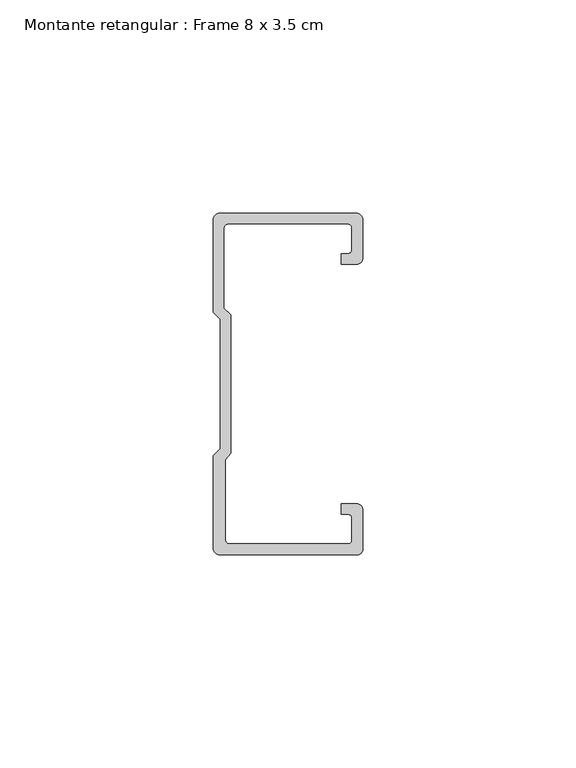
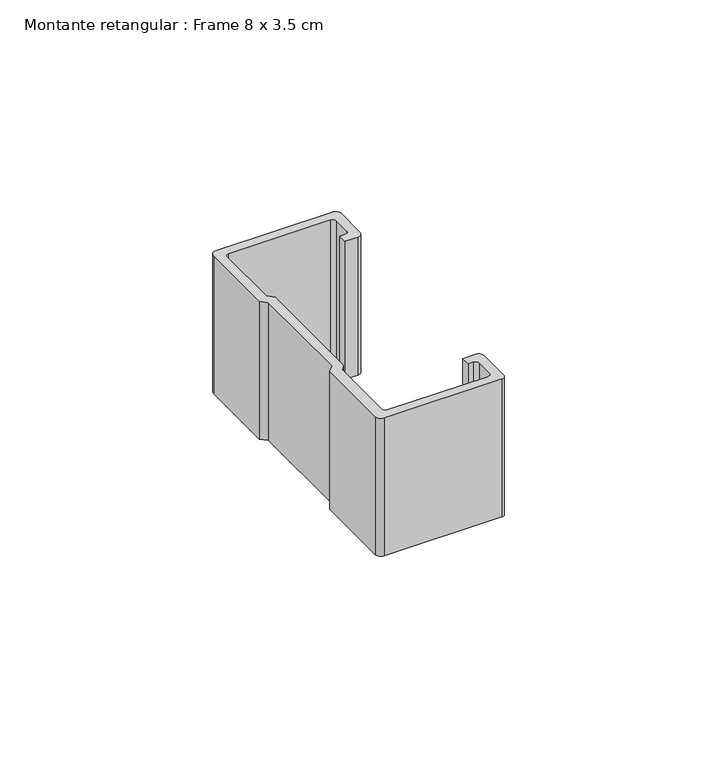
"""IFC4 building model written with IfcOpenShell, lengths in millimetres: member geometry, Montante retangular : Frame 8 x 3.5 cm."""

from ifc_helpers import new_model, si_unit, point, frame, frame_2d, origin, place, context, project, spatial, polyline, circle_curve, trimmed, segment, composite_curve, outline, extrude, source, transform, mapped, element, save


def montante_retangular_frame_8_x_3_5_cm_74e75ccc(model_context):
    return source(origin(), model_context, "Body", "SweptSolid", [
        extrude(outline(composite_curve([segment(trimmed(circle_curve(frame_2d((-1.5, 29.5276505)), 1.5), [point((0.0, 29.5276505))], [point((-1.5, 28.0276505))], False, "CARTESIAN"), True, "CONTINUOUS"), segment(polyline([(-1.5, 28.0276505), (-4.9837744, 28.0276505), (-4.9837744, 30.5276505), (-3.5, 30.5276505)]), True, "CONTINUOUS"), segment(trimmed(circle_curve(frame_2d((-3.5, 31.5276505)), 1.0), [point((-3.5, 30.5276505))], [point((-2.5, 31.5276505))], True, "CARTESIAN"), True, "CONTINUOUS"), segment(polyline([(-2.5, 31.5276505), (-2.5, 36.5)]), True, "CONTINUOUS"), segment(trimmed(circle_curve(frame_2d((-3.5, 36.5)), 1.0), [point((-2.5, 36.5))], [point((-3.5, 37.5))], True, "CARTESIAN"), True, "CONTINUOUS"), segment(polyline([(-3.5, 37.5), (-31.5, 37.5)]), True, "CONTINUOUS"), segment(trimmed(circle_curve(frame_2d((-31.5, 36.5)), 1.0), [point((-31.5, 37.5))], [point((-32.5, 36.5))], True, "CARTESIAN"), True, "CONTINUOUS"), segment(polyline([(-32.5, 36.5), (-32.5, 17.7978001), (-30.9122869, 16.2100869), (-30.9122869, -16.1794816), (-32.192786, -17.7671948), (-32.192786, -36.5)]), True, "CONTINUOUS"), segment(trimmed(circle_curve(frame_2d((-31.192786, -36.5)), 1.0), [point((-32.192786, -36.5))], [point((-31.192786, -37.5))], True, "CARTESIAN"), True, "CONTINUOUS"), segment(polyline([(-31.192786, -37.5), (-3.5, -37.5)]), True, "CONTINUOUS"), segment(trimmed(circle_curve(frame_2d((-3.5, -36.5)), 1.0), [point((-3.5, -37.5))], [point((-2.5, -36.5))], True, "CARTESIAN"), True, "CONTINUOUS"), segment(polyline([(-2.5, -36.5), (-2.5, -31.5276505)]), True, "CONTINUOUS"), segment(trimmed(circle_curve(frame_2d((-3.5, -31.5276505)), 1.0), [point((-2.5, -31.5276505))], [point((-3.5, -30.5276505))], True, "CARTESIAN"), True, "CONTINUOUS"), segment(polyline([(-3.5, -30.5276505), (-4.9837744, -30.5276505), (-4.9837744, -28.0276505), (-1.5, -28.0276505)]), True, "CONTINUOUS"), segment(trimmed(circle_curve(frame_2d((-1.5, -29.5276505)), 1.5), [point((-1.5, -28.0276505))], [point((0.0, -29.5276505))], False, "CARTESIAN"), True, "CONTINUOUS"), segment(polyline([(0.0, -29.5276505), (0.0, -38.8171833)]), True, "CONTINUOUS"), segment(trimmed(circle_curve(frame_2d((-1.1828167, -38.8171833)), 1.1828167), [point((0.0, -38.8171833))], [point((-1.1828167, -40.0))], False, "CARTESIAN"), True, "CONTINUOUS"), segment(polyline([(-1.1828167, -40.0), (-33.5, -40.0)]), True, "CONTINUOUS"), segment(trimmed(circle_curve(frame_2d((-33.5, -38.5)), 1.5), [point((-33.5, -40.0))], [point((-35.0, -38.5))], False, "CARTESIAN"), True, "CONTINUOUS"), segment(polyline([(-35.0, -38.5), (-35.0, -16.7622662), (-33.4122869, -15.174553), (-33.4122869, 15.174553), (-35.0, 16.7622662), (-35.0, 38.5)]), True, "CONTINUOUS"), segment(trimmed(circle_curve(frame_2d((-33.5, 38.5)), 1.5), [point((-35.0, 38.5))], [point((-33.5, 40.0))], False, "CARTESIAN"), True, "CONTINUOUS"), segment(polyline([(-33.5, 40.0), (-1.5, 40.0)]), True, "CONTINUOUS"), segment(trimmed(circle_curve(frame_2d((-1.5, 38.5)), 1.5), [point((-1.5, 40.0))], [point((0.0, 38.5))], False, "CARTESIAN"), True, "CONTINUOUS"), segment(polyline([(0.0, 38.5), (0.0, 29.5276505)]), True, "CONTINUOUS")], self_intersect=False)), frame((0.0, 0.0, -40.0), z_axis=(0.0, 0.0, 1.0), x_axis=(1.0, 0.0, 0.0)), (0.0, 0.0, 1.0), 40.0),
    ])


if __name__ == "__main__":
    model = new_model("IFC4")
    model_context = context("Model", 3, world=origin())
    ifc_project = project(units=[si_unit("LENGTHUNIT", "METRE", prefix="MILLI")], contexts=[model_context])
    site = spatial("IfcSite", under=ifc_project)
    building = spatial("IfcBuilding", under=site)
    placement = place(None, origin())
    montante_retangular_frame_8_x_3_5_cm_shape = montante_retangular_frame_8_x_3_5_cm_74e75ccc(model_context)
    element("IfcMember", 1, ObjectType="Montante retangular : Frame 8 x 3.5 cm", at=placement, inside=building, context=model_context, shape_type="MappedRepresentation", body=[
        mapped(montante_retangular_frame_8_x_3_5_cm_shape, transform((0.0, 0.0, 0.0), x_axis=(1.0, 0.0, 0.0), y_axis=(0.0, 1.0, 0.0), z_axis=(0.0, 0.0, 1.0))),
    ])
    save(model, "model.ifc")
